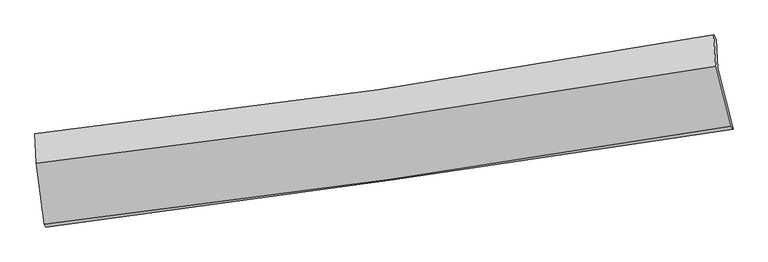
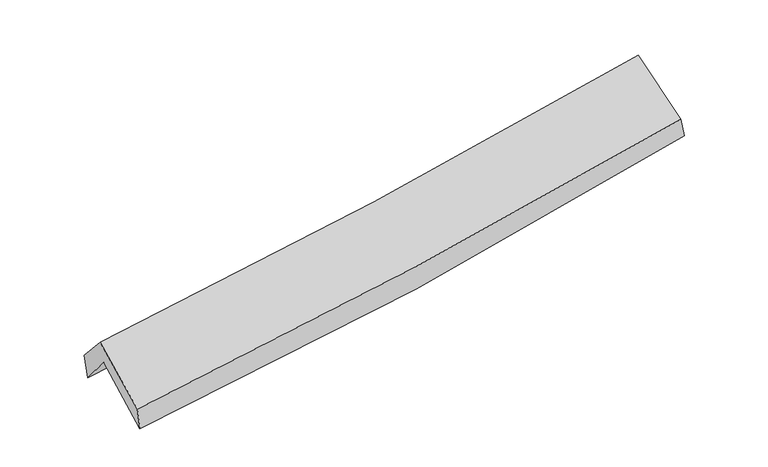
"""IFC4 building model written with IfcOpenShell, lengths in millimetres: proxy geometry."""

from ifc_helpers import new_model, si_unit, frame, origin, place, context, project, spatial, source, transform, mapped, element, save
from ifc_brep_helpers import plane_surface, spline_curve, spline_surface, advanced_brep


def generic_models_44093a56(model_context):
    return source(origin(), model_context, "Body", "AdvancedBrep", [
        advanced_brep(
        [(-2878.2038175, -2499.1645513, 1462.8818932), (-2944.3999123, -1995.7258957, 1876.0926692), (2865.9147416, -1144.2046052, 2390.8008662), (2996.0094716, -1661.4004962, 1963.8575518), (-2956.6993686, -1740.5535123, 1563.2309892), (2853.9098052, -895.1425208, 2085.4308998), (-2969.1067835, -1703.7629851, 1779.4646291), (2831.1782585, -857.458448, 2250.2503543), (-2956.2761413, -1953.1556463, 2065.3390831), (2848.4654452, -1124.8694491, 2533.7457941), (-2888.4739821, -2475.0261669, 1657.0906826), (2975.5834468, -1638.3338921, 2130.446411)],
        [
            (0, 1),
            (1, 2, spline_curve(3, [(-2944.3999123, -1995.7258957, 1876.0926692), (-1960.798900511, -1877.068058011, 1919.821840871), (-980.78740661, -1746.083607523, 1985.116147358), (955.86609275, -1461.837781493, 2157.394777801), (1912.626150524, -1308.981801634, 2263.669870253), (2865.9147416, -1144.2046052, 2390.8008662)], [4, 2, 4], [0.0, 9.80396826267016, 19.445372926489938])),
            (2, 3),
            (3, 0, spline_curve(3, [(2996.0094716, -1661.4004962, 1963.8575518), (2031.913365964, -1813.120709813, 1834.899745563), (1064.468149248, -1958.266271771, 1728.828935939), (-893.4890564, -2237.744536362, 1561.058748266), (-1884.114936152, -2371.853659, 1500.137671948), (-2878.2038175, -2499.1645513, 1462.8818932)], [4, 2, 4], [0.0, 9.641404663819777, 19.445372926489938])),
            (1, 4),
            (4, 5, spline_curve(3, [(-2956.6993686, -1740.5535123, 1563.2309892), (-1973.251046286, -1618.72787983, 1603.076192237), (-993.290303748, -1486.690514675, 1667.079540709), (943.464721928, -1204.551008476, 1841.940687773), (1900.373703876, -1054.784709851, 1952.003976133), (2853.9098052, -895.1425208, 2085.4308998)], [4, 2, 4], [0.0, 9.754825648561077, 19.347902552011853])),
            (5, 2),
            (4, 6),
            (6, 7, spline_curve(3, [(-2969.1067835, -1703.7629851, 1779.4646291), (-1988.761049567, -1593.338218476, 1840.812018935), (-1011.213421968, -1466.877917843, 1911.120129708), (922.122901746, -1184.249030938, 2068.343403847), (1878.003621229, -1028.607819066, 2154.96386815), (2831.1782585, -857.458448, 2250.2503543)], [4, 2, 4], [0.0, 9.741711572265558, 19.321891849271843])),
            (7, 5),
            (6, 8),
            (8, 9, spline_curve(3, [(-2956.2761413, -1953.1556463, 2065.3390831), (-1976.282421316, -1839.603666896, 2127.116072955), (-998.531715056, -1713.119570773, 2197.435607786), (936.308379289, -1436.598861951, 2353.852124473), (1893.47153517, -1286.987558991, 2439.668159514), (2848.4654452, -1124.8694491, 2533.7457941)], [4, 2, 4], [0.0, 9.73027933662264, 19.2992169405508])),
            (9, 7),
            (8, 10),
            (10, 11, spline_curve(3, [(-2888.4739821, -2475.0261669, 1657.0906826), (-1897.045821803, -2360.383142489, 1719.235417618), (-908.599711952, -2232.645816352, 1790.156630757), (1045.988024611, -1953.317747939, 1948.230513299), (2012.227724438, -1802.157648906, 2035.094543062), (2975.5834468, -1638.3338921, 2130.446411)], [4, 2, 4], [0.0, 9.781121560756805, 19.400058353151593])),
            (11, 9),
            (10, 0),
            (3, 11),
        ],
        [
            spline_surface(3, 3, [[(-2878.2038175, -2499.1645513, 1462.8818932), (-1884.114936099, -2371.853659088, 1500.137671824), (-893.489056382, -2237.744536246, 1561.058748343), (1064.468149231, -1958.266271886, 1728.828935863), (2031.91336587, -1813.120709659, 1834.899745531), (2996.0094716, -1661.4004962, 1963.8575518)], [(-2900.269182423, -2331.351666102, 1600.618818551), (-1909.676257536, -2206.925125362, 1640.032394875), (-922.588506512, -2073.857560026, 1702.411214704), (1028.267463788, -1792.79010838, 1871.684216521), (1992.150960762, -1645.074406933, 1977.823120473), (2952.644561601, -1489.001865863, 2106.171989938)], [(-2922.334547377, -2163.538780898, 1738.355743849), (-1935.237579006, -2041.996591629, 1779.927117871), (-951.687956639, -1909.970583838, 1843.763681014), (992.06677835, -1627.313944904, 2014.539497126), (1952.388555651, -1477.028104217, 2120.7464954), (2909.279651599, -1316.603235537, 2248.486428062)], [(-2944.3999123, -1995.7258957, 1876.0926692), (-1960.798900443, -1877.068057903, 1919.821840922), (-980.787406769, -1746.083607619, 1985.116147376), (955.866092907, -1461.837781398, 2157.394777783), (1912.626150542, -1308.981801491, 2263.669870342), (2865.9147416, -1144.2046052, 2390.8008662)]], [4, 4], [4, 2, 4], [0.0, 2.1646344254285808], [0.0, 9.80396826267016, 19.445372926489938]),
            spline_surface(3, 3, [[(-2944.3999123, -1995.7258957, 1876.0926692), (-1960.798900443, -1877.068057903, 1919.821840922), (-980.787406769, -1746.083607619, 1985.116147376), (955.866092907, -1461.837781398, 2157.394777783), (1912.626150542, -1308.981801491, 2263.669870342), (2865.9147416, -1144.2046052, 2390.8008662)], [(-2948.499731071, -1910.66843458, 1771.805442526), (-1964.949615726, -1790.954665232, 1814.239958005), (-984.955039089, -1659.619243262, 1879.103945199), (951.732302538, -1376.075523781, 2052.243414429), (1908.542001648, -1224.249437667, 2159.781238865), (2861.913096142, -1061.183910406, 2289.010877379)], [(-2952.599549829, -1825.61097342, 1667.518215874), (-1969.100330994, -1704.84127252, 1708.658075109), (-989.122671353, -1573.154878933, 1773.091742981), (947.598512224, -1290.313266191, 1947.092051033), (1904.457852728, -1139.517073825, 2055.892607451), (2857.911450658, -978.163215594, 2187.220888621)], [(-2956.6993686, -1740.5535123, 1563.2309892), (-1973.251046276, -1618.727879849, 1603.076192192), (-993.290303674, -1486.690514576, 1667.079540804), (943.464721854, -1204.551008574, 1841.940687679), (1900.373703834, -1054.784710002, 1952.003975975), (2853.9098052, -895.1425208, 2085.4308998)]], [4, 4], [4, 2, 4], [0.0, 1.3417168126023093], [0.0, 9.754825648561077, 19.347902552011853]),
            spline_surface(3, 3, [[(-2956.6993686, -1740.5535123, 1563.2309892), (-1973.251046276, -1618.727879849, 1603.076192192), (-993.290303674, -1486.690514576, 1667.079540804), (943.464721854, -1204.551008574, 1841.940687679), (1900.373703834, -1054.784710002, 1952.003975975), (2853.9098052, -895.1425208, 2085.4308998)], [(-2960.835173567, -1728.290003218, 1635.308869149), (-1978.421047399, -1610.264659339, 1682.321467793), (-999.264676403, -1480.086315671, 1748.426403763), (936.350781811, -1197.783682688, 1917.408259721), (1892.917009641, -1046.059079673, 2019.657273402), (2846.332622967, -882.581163202, 2140.370717979)], [(-2964.970978533, -1716.026494182, 1707.386749151), (-1983.591048521, -1601.801438874, 1761.566743449), (-1005.239049174, -1473.482116768, 1829.773266757), (929.236841725, -1191.016356805, 1992.875831798), (1885.460315447, -1037.333449337, 2087.310570794), (2838.755440733, -870.019805598, 2195.310536121)], [(-2969.1067835, -1703.7629851, 1779.4646291), (-1988.761049643, -1593.338218364, 1840.81201905), (-1011.213421903, -1466.877917863, 1911.120129715), (922.122901681, -1184.249030919, 2068.343403839), (1878.003621254, -1028.607819008, 2154.963868221), (2831.1782585, -857.458448, 2250.2503543)]], [4, 4], [4, 2, 4], [0.0, 0.777660285823666], [0.0, 9.741711572265558, 19.321891849271843]),
            spline_surface(3, 3, [[(-2969.1067835, -1703.7629851, 1779.4646291), (-1988.761049643, -1593.338218364, 1840.81201905), (-1011.213421903, -1466.877917863, 1911.120129715), (922.122901681, -1184.249030919, 2068.343403839), (1878.003621254, -1028.607819008, 2154.963868221), (2831.1782585, -857.458448, 2250.2503543)], [(-2964.829902786, -1786.893872184, 1874.756113792), (-1984.601506884, -1675.426701252, 1936.246703661), (-1006.98618627, -1548.958468864, 2006.558622441), (926.8513942, -1268.365641277, 2163.512977351), (1883.159592516, -1114.734399017, 2249.865298705), (2836.940654061, -946.595448373, 2344.748834251)], [(-2960.553022014, -1870.024759216, 1970.047598408), (-1980.441964066, -1757.51518409, 2031.681388196), (-1002.758950637, -1631.039019797, 2101.997115163), (931.579886719, -1352.482251568, 2258.68255086), (1888.315563794, -1200.860979007, 2344.766729136), (2842.703049639, -1035.732448727, 2439.247314149)], [(-2956.2761413, -1953.1556463, 2065.3390831), (-1976.282421306, -1839.603666978, 2127.116072807), (-998.531715004, -1713.119570799, 2197.435607889), (936.308379238, -1436.598861926, 2353.852124372), (1893.471535055, -1286.987559015, 2439.66815962), (2848.4654452, -1124.8694491, 2533.7457941)]], [4, 4], [4, 2, 4], [0.0, 1.2452198261951275], [0.0, 9.73027933662264, 19.2992169405508]),
            spline_surface(3, 3, [[(-2956.2761413, -1953.1556463, 2065.3390831), (-1976.282421306, -1839.603666978, 2127.116072807), (-998.531715004, -1713.119570799, 2197.435607889), (936.308379238, -1436.598861926, 2353.852124372), (1893.471535055, -1286.987559015, 2439.66815962), (2848.4654452, -1124.8694491, 2533.7457941)], [(-2933.67542154, -2127.112486479, 1929.256282926), (-1949.870221393, -2013.196825468, 1991.155854399), (-968.554380626, -1886.294985998, 2061.675948831), (972.868260978, -1608.838490533, 2218.64492065), (1933.056931478, -1458.71092229, 2304.810287367), (2890.838112403, -1296.024263414, 2399.312666384)], [(-2911.07470186, -2301.069326721, 1793.173482774), (-1923.458021561, -2186.78998402, 1855.195636014), (-938.577046212, -2059.470401273, 1925.91628984), (1009.428142754, -1781.078119214, 2083.437716995), (1972.642327892, -1630.434285624, 2169.952415163), (2933.210779597, -1467.179077786, 2264.879538716)], [(-2888.4739821, -2475.0261669, 1657.0906826), (-1897.045821647, -2360.38314251, 1719.235417606), (-908.599711834, -2232.645816472, 1790.156630782), (1045.988024494, -1953.317747821, 1948.230513274), (2012.227724314, -1802.157648899, 2035.094542911), (2975.5834468, -1638.3338921, 2130.446411)]], [4, 4], [4, 2, 4], [0.0, 2.1851886049580775], [0.0, 9.781121560756805, 19.400058353151593]),
            spline_surface(3, 3, [[(-2888.4739821, -2475.0261669, 1657.0906826), (-1897.045821647, -2360.38314251, 1719.235417606), (-908.599711834, -2232.645816472, 1790.156630782), (1045.988024494, -1953.317747821, 1948.230513274), (2012.227724314, -1802.157648899, 2035.094542911), (2975.5834468, -1638.3338921, 2130.446411)], [(-2885.050593914, -2483.072295037, 1592.354419456), (-1892.735526478, -2364.20664804, 1646.202835667), (-903.562826665, -2234.345389753, 1713.79066997), (1052.148066091, -1954.967255865, 1875.096654138), (2018.789604825, -1805.812002495, 1968.362943786), (2982.392121725, -1646.022760142, 2074.916791269)], [(-2881.627205686, -2491.118423163, 1527.618156344), (-1888.425231268, -2368.030153559, 1573.170253762), (-898.525941551, -2236.044962965, 1637.424709155), (1058.308107633, -1956.616763842, 1801.962794999), (2025.35148536, -1809.466356064, 1901.631344655), (2989.200796675, -1653.711628158, 2019.387171531)], [(-2878.2038175, -2499.1645513, 1462.8818932), (-1884.114936099, -2371.853659088, 1500.137671824), (-893.489056382, -2237.744536246, 1561.058748343), (1064.468149231, -1958.266271886, 1728.828935863), (2031.91336587, -1813.120709659, 1834.899745531), (2996.0094716, -1661.4004962, 1963.8575518)]], [4, 4], [4, 2, 4], [0.0, 0.7382205099260746], [0.0, 9.841800937905498, 19.520410957932683]),
            plane_surface(frame((2895.1768615, -1220.2349019, 2225.7553129), z_axis=(0.9812278110080999, 0.16653507735850323, 0.09725251109071789), x_axis=(0.19110517506298935, -0.7719261710756963, -0.6063075114762798))),
            plane_surface(frame((-2932.1933342, -2061.2314596, 1734.0166577), z_axis=(-0.9944085519366905, -0.09754173598060636, -0.04046284193014833), x_axis=(-0.05240617144846829, 0.12317235080448084, 0.9910005878865117))),
        ],
        [
            (0, [[1, 2, 3, 4]]),
            (1, [[5, 6, 7, -2]]),
            (2, [[8, 9, 10, -6]]),
            (3, [[11, 12, 13, -9]]),
            (4, [[14, 15, 16, -12]]),
            (5, [[17, -4, 18, -15]]),
            (6, [[-16, -18, -3, -7, -10, -13]]),
            (7, [[-17, -14, -11, -8, -5, -1]]),
        ],
    ),
    ])


if __name__ == "__main__":
    model = new_model("IFC4")
    model_context = context("Model", 3, world=origin())
    ifc_project = project(units=[si_unit("LENGTHUNIT", "METRE", prefix="MILLI")], contexts=[model_context])
    site = spatial("IfcSite", under=ifc_project)
    building = spatial("IfcBuilding", under=site)
    placement = place(None, origin())
    generic_models_shape = generic_models_44093a56(model_context)
    element("IfcBuildingElementProxy", 1, Name="Generic Models", at=placement, inside=building, context=model_context, shape_type="MappedRepresentation", body=[
        mapped(generic_models_shape, transform((0.0, 0.0, 0.0), x_axis=(1.0, 0.0, 0.0), y_axis=(0.0, 1.0, 0.0), z_axis=(0.0, 0.0, 1.0))),
    ])
    save(model, "model.ifc")
